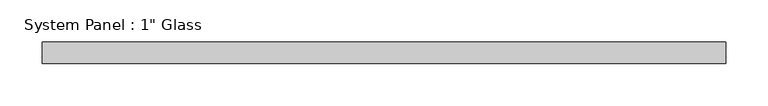
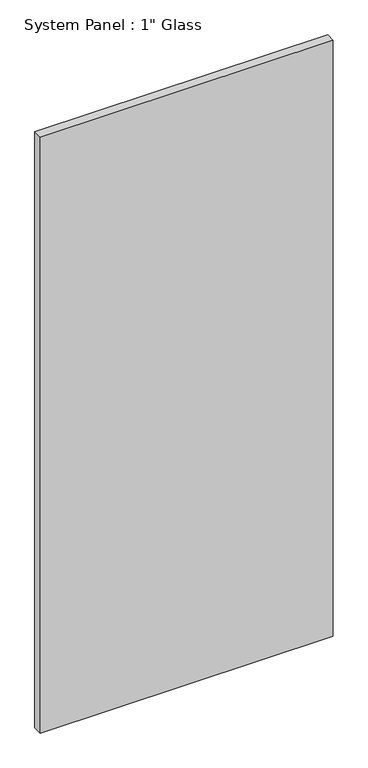
"""IFC4 building model written with IfcOpenShell, lengths in millimetres: plate geometry."""

from ifc_helpers import new_model, si_unit, origin, origin_with_axes, place, context, project, spatial, polyline, outline, extrude, source, transform, mapped, element, save


def plate_ca60d729(model_context):
    return source(origin(), model_context, "Body", "SweptSolid", [
        extrude(outline(polyline([(404.8125, -12.7), (-404.8125, -12.7), (-404.8125, 12.7), (404.8125, 12.7), (404.8125, -12.7)])), origin_with_axes(), (0.0, 0.0, 1.0), 1739.9),
    ])


if __name__ == "__main__":
    model = new_model("IFC4")
    model_context = context("Model", 3, world=origin())
    ifc_project = project(units=[si_unit("LENGTHUNIT", "METRE", prefix="MILLI")], contexts=[model_context])
    site = spatial("IfcSite", under=ifc_project)
    building = spatial("IfcBuilding", under=site)
    placement = place(None, origin())
    plate_shape = plate_ca60d729(model_context)
    element("IfcPlate", 1, ObjectType="System Panel : 1\" Glass", at=placement, inside=building, context=model_context, shape_type="MappedRepresentation", body=[
        mapped(plate_shape, transform((0.0, 0.0, 0.0), x_axis=(1.0, 0.0, 0.0), y_axis=(0.0, 1.0, 0.0), z_axis=(0.0, 0.0, 1.0))),
    ])
    save(model, "model.ifc")
